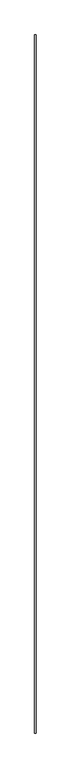
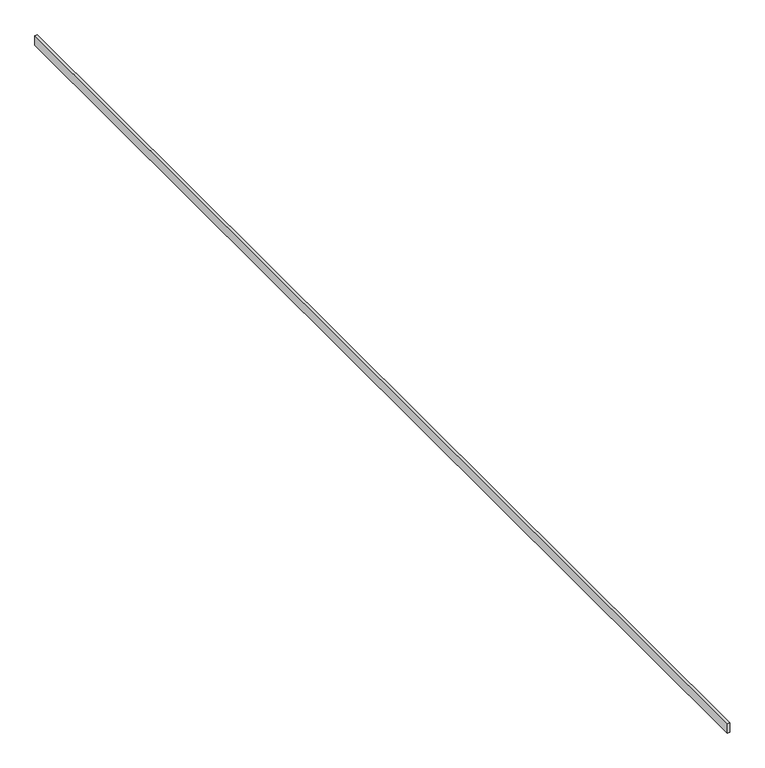
"""IFC4 building model written with IfcOpenShell, lengths in millimetres: railing geometry."""

import ifcopenshell
import ifcopenshell.guid

model = None  # the IFC model being written
_history = None  # IfcOwnerHistory: only IFC2X3 demands one
_inside = {}  # id of a spatial element -> (the spatial element, [elements in it])
_under = {}  # id of a project, library or spatial element -> (it, [spatial elements below it])
_declared = {}  # id of a project -> (the project, [libraries it declares])
_typed = {}  # id of a type object -> (the type object, [elements of that type])
_made_of = {}  # id of a material, layer set ... -> (it, [elements and type objects made of it])


def new_model(schema):
    """Start an empty IFC model of exactly this schema.

    Asked for "IFC4X3", IfcOpenShell would pick the latest addendum, in which some entities
    have other attributes; the version numbers below select the first issue.
    IFC2X3 requires an IfcOwnerHistory on every rooted entity: one is made here for all.
    """
    global model, _history
    if schema == "IFC4X3":
        model = ifcopenshell.file(schema_version=(4, 3, 0, 0))
    else:
        model = ifcopenshell.file(schema=schema)
    _inside.clear()
    _under.clear()
    _declared.clear()
    _typed.clear()
    _made_of.clear()
    _history = None
    if model.schema == "IFC2X3":
        org = make("IfcOrganization", Name="unknown")
        user = make(
            "IfcPersonAndOrganization",
            ThePerson=make("IfcPerson", FamilyName="unknown"),
            TheOrganization=org,
        )
        app = make(
            "IfcApplication",
            ApplicationDeveloper=org,
            Version="unknown",
            ApplicationFullName="unknown",
            ApplicationIdentifier="unknown",
        )
        _history = make(
            "IfcOwnerHistory",
            OwningUser=user,
            OwningApplication=app,
            ChangeAction="ADDED",
            CreationDate=0,
        )
    return model


def make(cls, **values):
    """One entity of the class cls with the attributes given. An attribute that is None is left unset."""
    return model.create_entity(
        cls, **{name: value for name, value in values.items() if value is not None}
    )


def rooted(cls, **values):
    """An entity with a GlobalId (a new one), such as an element, a storey or a relation."""
    return make(cls, GlobalId=ifcopenshell.guid.new(), OwnerHistory=_history, **values)


def si_unit(unit_type, name, prefix=None):
    """IfcSIUnit, for example si_unit("LENGTHUNIT", "METRE", prefix="MILLI")."""
    return make("IfcSIUnit", UnitType=unit_type, Prefix=prefix, Name=name)


def assignment(units):
    """IfcUnitAssignment: the units of a project."""
    return None if units is None else make("IfcUnitAssignment", Units=units)


def point(xyz):
    """IfcCartesianPoint."""
    return None if xyz is None else make("IfcCartesianPoint", Coordinates=xyz)


def direction(xyz):
    """IfcDirection."""
    return None if xyz is None else make("IfcDirection", DirectionRatios=xyz)


def frame(location, z_axis=None, x_axis=None):
    """IfcAxis2Placement3D, a coordinate frame: its origin and axes. An axis left out is left unset."""
    return make(
        "IfcAxis2Placement3D",
        Location=point(location),
        Axis=direction(z_axis),
        RefDirection=direction(x_axis),
    )


def origin():
    """The frame at (0, 0, 0) with its axes left unset."""
    return frame((0.0, 0.0, 0.0))


def place(relative_to, where):
    """IfcLocalPlacement: puts the frame where relative to a parent placement (None: the world)."""
    return make(
        "IfcLocalPlacement", PlacementRelTo=relative_to, RelativePlacement=where
    )


def context(
    kind, dimensions, precision=None, world=None, true_north=None, identifier=None
):
    """IfcGeometricRepresentationContext, for example the 3D "Model" context."""
    return make(
        "IfcGeometricRepresentationContext",
        ContextIdentifier=identifier,
        ContextType=kind,
        CoordinateSpaceDimension=dimensions,
        Precision=precision,
        WorldCoordinateSystem=world,
        TrueNorth=true_north,
    )


def project(units=None, contexts=None):
    """IfcProject with its units and contexts."""
    return rooted(
        "IfcProject",
        Name="project",
        RepresentationContexts=contexts,
        UnitsInContext=assignment(units),
    )


def spatial(cls, under=None, at=None, **own):
    """A site, building, storey or space (cls), placed at a placement, below another one or the project."""
    s = rooted(cls, ObjectPlacement=at, **own)
    if under is not None:
        _under.setdefault(under.id(), (under, []))[1].append(s)
    return s


def polyline(points):
    """IfcPolyline through the points."""
    return make("IfcPolyline", Points=[point(p) for p in points])


def outline(outer, holes=None, kind="AREA"):
    """IfcArbitraryClosedProfileDef: a profile drawn as a closed curve; with holes, ...WithVoids."""
    if holes is None:
        return make("IfcArbitraryClosedProfileDef", ProfileType=kind, OuterCurve=outer)
    return make(
        "IfcArbitraryProfileDefWithVoids",
        ProfileType=kind,
        OuterCurve=outer,
        InnerCurves=holes,
    )


def extrude(swept, where, along, depth):
    """IfcExtrudedAreaSolid: the profile swept, set in the frame where, extruded along a direction by depth."""
    return make(
        "IfcExtrudedAreaSolid",
        SweptArea=swept,
        Position=where,
        ExtrudedDirection=direction(along),
        Depth=depth,
    )


def shape(context_of_items, identifier, shape_type, items):
    """IfcShapeRepresentation: the items that make up one representation, for example the "Body"."""
    return make(
        "IfcShapeRepresentation",
        ContextOfItems=context_of_items,
        RepresentationIdentifier=identifier,
        RepresentationType=shape_type,
        Items=items,
    )


def source(mapping_origin, context_of_items, identifier, shape_type, items):
    """IfcRepresentationMap: a shape defined once, which mapped items show again and again."""
    return make(
        "IfcRepresentationMap",
        MappingOrigin=mapping_origin,
        MappedRepresentation=shape(context_of_items, identifier, shape_type, items),
    )


def transform(
    local_origin,
    x_axis=None,
    y_axis=None,
    z_axis=None,
    scale=None,
    scale2=None,
    scale3=None,
    uniform=True,
):
    """IfcCartesianTransformationOperator3D, or its non-uniform kind. x_axis, y_axis, z_axis: its Axis1, 2, 3."""
    if uniform:
        return make(
            "IfcCartesianTransformationOperator3D",
            Axis1=direction(x_axis),
            Axis2=direction(y_axis),
            LocalOrigin=point(local_origin),
            Scale=scale,
            Axis3=direction(z_axis),
        )
    return make(
        "IfcCartesianTransformationOperator3DnonUniform",
        Axis1=direction(x_axis),
        Axis2=direction(y_axis),
        LocalOrigin=point(local_origin),
        Scale=scale,
        Axis3=direction(z_axis),
        Scale2=scale2,
        Scale3=scale3,
    )


def mapped(mapping_source, mapping_target):
    """IfcMappedItem: shows the shape of a source again, moved by a transform."""
    return make(
        "IfcMappedItem", MappingSource=mapping_source, MappingTarget=mapping_target
    )


def made_of(thing, what):
    """Note that an element or type object is made of a material, layer set ...; save() writes the relation."""
    if what is not None:
        _made_of.setdefault(what.id(), (what, []))[1].append(thing)
    return thing


def element(
    cls,
    number,
    at=None,
    inside=None,
    cuts=None,
    type_object=None,
    material=None,
    context=None,
    identifier="Body",
    shape_type=None,
    held_by="IfcProductDefinitionShape",
    body=None,
    shapes=None,
    **own,
):
    """One element of the class cls, such as IfcWall. Its Tag is "e" and its number.

    at: its placement. inside: the storey or other place that contains it. cuts: it is an
    opening in that element (IfcRelVoidsElement). A single representation is given by context,
    identifier, shape_type and body (its items); several are given by shapes. held_by: the class
    of the entity that holds the representations. save() writes the other relations.
    """
    e = rooted(cls, Tag="e%d" % number, ObjectPlacement=at, **own)
    if body is not None:
        shapes = [shape(context, identifier, shape_type, body)]
    if shapes is not None:
        e.Representation = make(held_by, Representations=shapes)
    if inside is not None:
        _inside.setdefault(inside.id(), (inside, []))[1].append(e)
    if cuts is not None:
        rooted(
            "IfcRelVoidsElement", RelatingBuildingElement=cuts, RelatedOpeningElement=e
        )
    if type_object is not None:
        _typed.setdefault(type_object.id(), (type_object, []))[1].append(e)
    return made_of(e, material)


def aggregate(whole, parts):
    """IfcRelAggregates: a whole, such as a stair, and the parts it consists of."""
    return rooted("IfcRelAggregates", RelatingObject=whole, RelatedObjects=parts)


def save(model, path):
    """Write the relations noted so far, then the file.

    IfcRelAggregates (storeys below a building ...), IfcRelContainedInSpatialStructure (elements
    in a storey), IfcRelDefinesByType, IfcRelAssociatesMaterial and IfcRelDeclares: one each for
    every whole, place, type object, material and project.
    """
    for whole, parts in _under.values():
        aggregate(whole, parts)
    for where, things in _inside.values():
        rooted(
            "IfcRelContainedInSpatialStructure",
            RelatedElements=things,
            RelatingStructure=where,
        )
    for kind, things in _typed.values():
        rooted("IfcRelDefinesByType", RelatedObjects=things, RelatingType=kind)
    for what, things in _made_of.values():
        rooted("IfcRelAssociatesMaterial", RelatedObjects=things, RelatingMaterial=what)
    for by, libraries in _declared.values():
        rooted("IfcRelDeclares", RelatingContext=by, RelatedDefinitions=libraries)
    model.write(path)


def railing_4e66f333(model_context):
    return source(origin(), model_context, "Body", "SweptSolid", [
        extrude(outline(polyline([(2444.3297172, 41141.9465374), (2434.3297172, 41141.9465374), (2434.3297172, 45936.1853257), (2444.3297172, 45936.1853257), (2444.3297172, 41141.9465374)])), frame((0.0, 0.0, 710.0), z_axis=(0.0, 0.0, 1.0), x_axis=(1.0, 0.0, 0.0)), (0.0, 0.0, 1.0), 40.0),
    ])


if __name__ == "__main__":
    model = new_model("IFC4")
    model_context = context("Model", 3, world=origin())
    ifc_project = project(units=[si_unit("LENGTHUNIT", "METRE", prefix="MILLI")], contexts=[model_context])
    site = spatial("IfcSite", under=ifc_project)
    building = spatial("IfcBuilding", under=site)
    placement = place(None, origin())
    railing_shape = railing_4e66f333(model_context)
    element("IfcRailing", 1, at=placement, inside=building, context=model_context, shape_type="MappedRepresentation", body=[
        mapped(railing_shape, transform((0.0, 0.0, 0.0), x_axis=(1.0, 0.0, 0.0), y_axis=(0.0, 1.0, 0.0), z_axis=(0.0, 0.0, 1.0))),
    ])
    save(model, "model.ifc")
